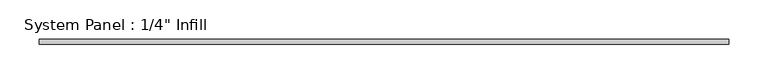
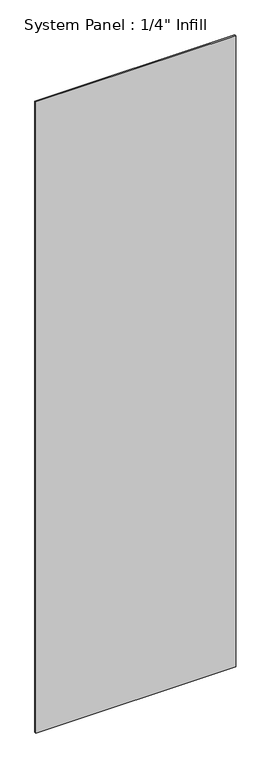
"""IFC4 building model written with IfcOpenShell, lengths in millimetres: plate geometry."""

from ifc_helpers import new_model, si_unit, origin, origin_with_axes, place, context, project, spatial, polyline, outline, extrude, source, transform, mapped, element, save


def plate_6c815796(model_context):
    return source(origin(), model_context, "Body", "SweptSolid", [
        extrude(outline(polyline([(441.325, 25.4), (-441.325, 25.4), (-441.325, 31.75), (441.325, 31.75), (441.325, 25.4)])), origin_with_axes(), (0.0, 0.0, 1.0), 2946.4),
    ])


if __name__ == "__main__":
    model = new_model("IFC4")
    model_context = context("Model", 3, world=origin())
    ifc_project = project(units=[si_unit("LENGTHUNIT", "METRE", prefix="MILLI")], contexts=[model_context])
    site = spatial("IfcSite", under=ifc_project)
    building = spatial("IfcBuilding", under=site)
    placement = place(None, origin())
    plate_shape = plate_6c815796(model_context)
    element("IfcPlate", 1, ObjectType="System Panel : 1/4\" Infill", at=placement, inside=building, context=model_context, shape_type="MappedRepresentation", body=[
        mapped(plate_shape, transform((0.0, 0.0, 0.0), x_axis=(1.0, 0.0, 0.0), y_axis=(0.0, 1.0, 0.0), z_axis=(0.0, 0.0, 1.0))),
    ])
    save(model, "model.ifc")
